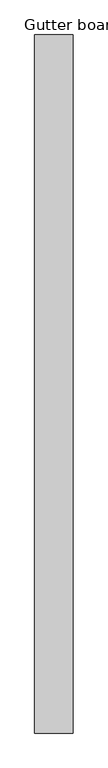
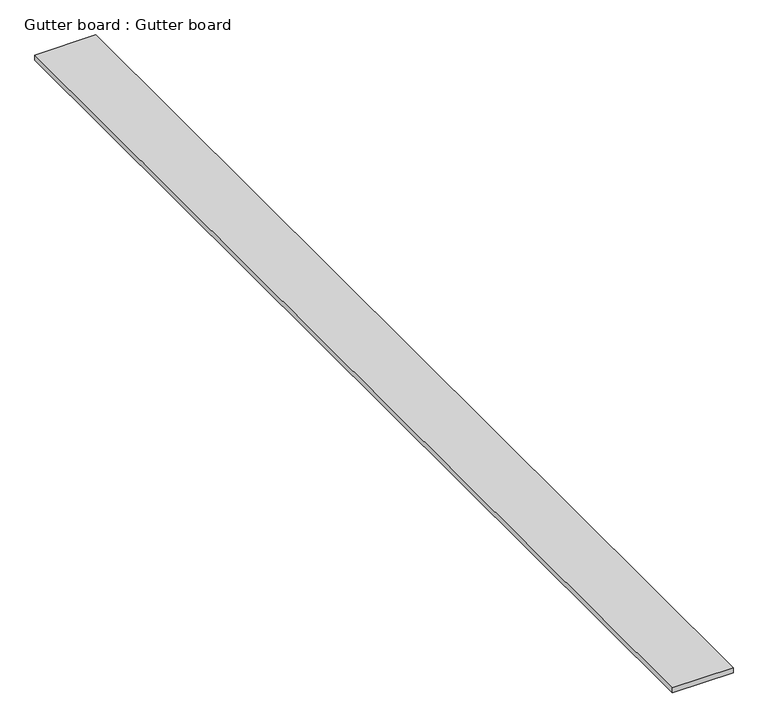
"""IFC4 building model written with IfcOpenShell, lengths in millimetres: proxy geometry, Gutter board : Gutter board."""

from ifc_helpers import new_model, si_unit, frame, origin, place, context, project, spatial, polyline, outline, extrude, source, transform, mapped, element, save


def gutter_board_gutter_board_66a8d818(model_context):
    return source(origin(), model_context, "Body", "SweptSolid", [
        extrude(outline(polyline([(-11591.1071097, -1342.7120579), (-11761.1071097, -1342.7120579), (-11761.1071097, 1747.2879421), (-11591.1071097, 1747.2879421), (-11591.1071097, -1342.7120579)])), frame((0.0, 0.0, 3784.2452806), z_axis=(0.0, 0.0, 1.0), x_axis=(1.0, 0.0, 0.0)), (0.0, 0.0, 1.0), 15.0),
    ])


if __name__ == "__main__":
    model = new_model("IFC4")
    model_context = context("Model", 3, world=origin())
    ifc_project = project(units=[si_unit("LENGTHUNIT", "METRE", prefix="MILLI")], contexts=[model_context])
    site = spatial("IfcSite", under=ifc_project)
    building = spatial("IfcBuilding", under=site)
    placement = place(None, origin())
    gutter_board_gutter_board_shape = gutter_board_gutter_board_66a8d818(model_context)
    element("IfcBuildingElementProxy", 1, Name="Gutter board : Gutter board", ObjectType="Gutter board : Gutter board", at=placement, inside=building, context=model_context, shape_type="MappedRepresentation", body=[
        mapped(gutter_board_gutter_board_shape, transform((0.0, 0.0, 0.0), x_axis=(1.0, 0.0, 0.0), y_axis=(0.0, 1.0, 0.0), z_axis=(0.0, 0.0, 1.0))),
    ])
    save(model, "model.ifc")
